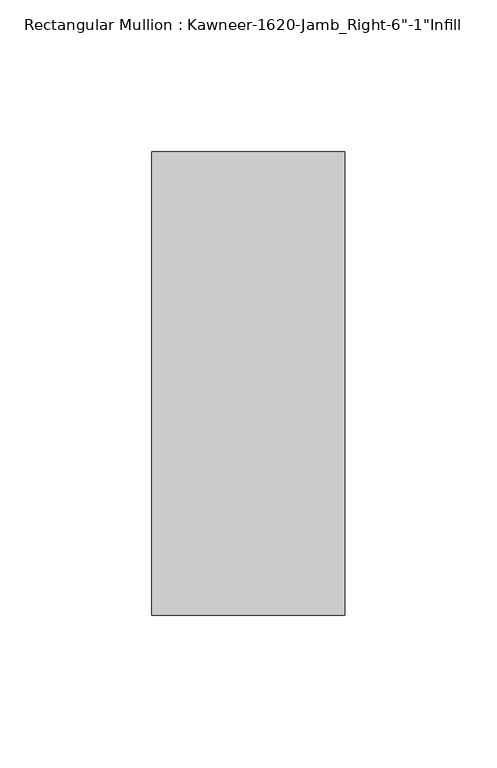
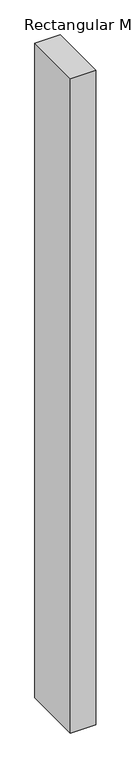
"""IFC4 building model written with IfcOpenShell, lengths in millimetres: member geometry."""

from ifc_helpers import new_model, si_unit, frame, origin, place, context, project, spatial, polyline, outline, extrude, source, transform, mapped, element, save


def member_bf83ad4f(model_context):
    return source(origin(), model_context, "Body", "SweptSolid", [
        extrude(outline(polyline([(-63.5, -38.1), (-63.5, 114.3), (0.0, 114.3), (0.0, -38.1), (-63.5, -38.1)])), frame((0.0, 0.0, -1720.85), z_axis=(0.0, 0.0, 1.0), x_axis=(1.0, 0.0, 0.0)), (0.0, 0.0, 1.0), 1720.85),
    ])


if __name__ == "__main__":
    model = new_model("IFC4")
    model_context = context("Model", 3, world=origin())
    ifc_project = project(units=[si_unit("LENGTHUNIT", "METRE", prefix="MILLI")], contexts=[model_context])
    site = spatial("IfcSite", under=ifc_project)
    building = spatial("IfcBuilding", under=site)
    placement = place(None, origin())
    member_shape = member_bf83ad4f(model_context)
    element("IfcMember", 1, ObjectType="Rectangular Mullion : Kawneer-1620-Jamb_Right-6\"-1\"Infill", at=placement, inside=building, context=model_context, shape_type="MappedRepresentation", body=[
        mapped(member_shape, transform((0.0, 0.0, 0.0), x_axis=(1.0, 0.0, 0.0), y_axis=(0.0, 1.0, 0.0), z_axis=(0.0, 0.0, 1.0))),
    ])
    save(model, "model.ifc")
